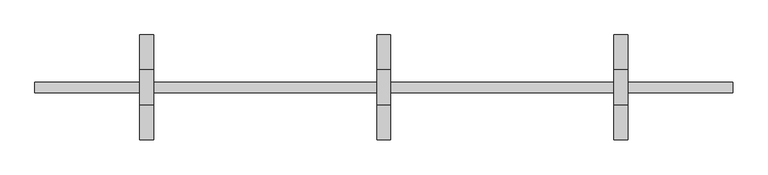
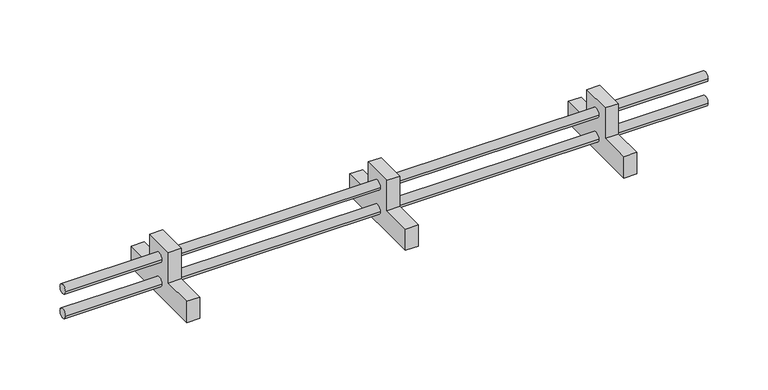
"""IFC4 building model written with IfcOpenShell, lengths in millimetres: proxy geometry."""

import ifcopenshell
import ifcopenshell.guid

model = None  # the IFC model being written
_history = None  # IfcOwnerHistory: only IFC2X3 demands one
_inside = {}  # id of a spatial element -> (the spatial element, [elements in it])
_under = {}  # id of a project, library or spatial element -> (it, [spatial elements below it])
_declared = {}  # id of a project -> (the project, [libraries it declares])
_typed = {}  # id of a type object -> (the type object, [elements of that type])
_made_of = {}  # id of a material, layer set ... -> (it, [elements and type objects made of it])


def new_model(schema):
    """Start an empty IFC model of exactly this schema.

    Asked for "IFC4X3", IfcOpenShell would pick the latest addendum, in which some entities
    have other attributes; the version numbers below select the first issue.
    IFC2X3 requires an IfcOwnerHistory on every rooted entity: one is made here for all.
    """
    global model, _history
    if schema == "IFC4X3":
        model = ifcopenshell.file(schema_version=(4, 3, 0, 0))
    else:
        model = ifcopenshell.file(schema=schema)
    _inside.clear()
    _under.clear()
    _declared.clear()
    _typed.clear()
    _made_of.clear()
    _history = None
    if model.schema == "IFC2X3":
        org = make("IfcOrganization", Name="unknown")
        user = make(
            "IfcPersonAndOrganization",
            ThePerson=make("IfcPerson", FamilyName="unknown"),
            TheOrganization=org,
        )
        app = make(
            "IfcApplication",
            ApplicationDeveloper=org,
            Version="unknown",
            ApplicationFullName="unknown",
            ApplicationIdentifier="unknown",
        )
        _history = make(
            "IfcOwnerHistory",
            OwningUser=user,
            OwningApplication=app,
            ChangeAction="ADDED",
            CreationDate=0,
        )
    return model


def make(cls, **values):
    """One entity of the class cls with the attributes given. An attribute that is None is left unset."""
    return model.create_entity(
        cls, **{name: value for name, value in values.items() if value is not None}
    )


def rooted(cls, **values):
    """An entity with a GlobalId (a new one), such as an element, a storey or a relation."""
    return make(cls, GlobalId=ifcopenshell.guid.new(), OwnerHistory=_history, **values)


def si_unit(unit_type, name, prefix=None):
    """IfcSIUnit, for example si_unit("LENGTHUNIT", "METRE", prefix="MILLI")."""
    return make("IfcSIUnit", UnitType=unit_type, Prefix=prefix, Name=name)


def assignment(units):
    """IfcUnitAssignment: the units of a project."""
    return None if units is None else make("IfcUnitAssignment", Units=units)


def point(xyz):
    """IfcCartesianPoint."""
    return None if xyz is None else make("IfcCartesianPoint", Coordinates=xyz)


def direction(xyz):
    """IfcDirection."""
    return None if xyz is None else make("IfcDirection", DirectionRatios=xyz)


def frame(location, z_axis=None, x_axis=None):
    """IfcAxis2Placement3D, a coordinate frame: its origin and axes. An axis left out is left unset."""
    return make(
        "IfcAxis2Placement3D",
        Location=point(location),
        Axis=direction(z_axis),
        RefDirection=direction(x_axis),
    )


def origin():
    """The frame at (0, 0, 0) with its axes left unset."""
    return frame((0.0, 0.0, 0.0))


def place(relative_to, where):
    """IfcLocalPlacement: puts the frame where relative to a parent placement (None: the world)."""
    return make(
        "IfcLocalPlacement", PlacementRelTo=relative_to, RelativePlacement=where
    )


def context(
    kind, dimensions, precision=None, world=None, true_north=None, identifier=None
):
    """IfcGeometricRepresentationContext, for example the 3D "Model" context."""
    return make(
        "IfcGeometricRepresentationContext",
        ContextIdentifier=identifier,
        ContextType=kind,
        CoordinateSpaceDimension=dimensions,
        Precision=precision,
        WorldCoordinateSystem=world,
        TrueNorth=true_north,
    )


def project(units=None, contexts=None):
    """IfcProject with its units and contexts."""
    return rooted(
        "IfcProject",
        Name="project",
        RepresentationContexts=contexts,
        UnitsInContext=assignment(units),
    )


def spatial(cls, under=None, at=None, **own):
    """A site, building, storey or space (cls), placed at a placement, below another one or the project."""
    s = rooted(cls, ObjectPlacement=at, **own)
    if under is not None:
        _under.setdefault(under.id(), (under, []))[1].append(s)
    return s


def circle_curve(where, radius):
    """IfcCircle in the frame where."""
    return make("IfcCircle", Position=where, Radius=radius)


def shape(context_of_items, identifier, shape_type, items):
    """IfcShapeRepresentation: the items that make up one representation, for example the "Body"."""
    return make(
        "IfcShapeRepresentation",
        ContextOfItems=context_of_items,
        RepresentationIdentifier=identifier,
        RepresentationType=shape_type,
        Items=items,
    )


def source(mapping_origin, context_of_items, identifier, shape_type, items):
    """IfcRepresentationMap: a shape defined once, which mapped items show again and again."""
    return make(
        "IfcRepresentationMap",
        MappingOrigin=mapping_origin,
        MappedRepresentation=shape(context_of_items, identifier, shape_type, items),
    )


def transform(
    local_origin,
    x_axis=None,
    y_axis=None,
    z_axis=None,
    scale=None,
    scale2=None,
    scale3=None,
    uniform=True,
):
    """IfcCartesianTransformationOperator3D, or its non-uniform kind. x_axis, y_axis, z_axis: its Axis1, 2, 3."""
    if uniform:
        return make(
            "IfcCartesianTransformationOperator3D",
            Axis1=direction(x_axis),
            Axis2=direction(y_axis),
            LocalOrigin=point(local_origin),
            Scale=scale,
            Axis3=direction(z_axis),
        )
    return make(
        "IfcCartesianTransformationOperator3DnonUniform",
        Axis1=direction(x_axis),
        Axis2=direction(y_axis),
        LocalOrigin=point(local_origin),
        Scale=scale,
        Axis3=direction(z_axis),
        Scale2=scale2,
        Scale3=scale3,
    )


def mapped(mapping_source, mapping_target):
    """IfcMappedItem: shows the shape of a source again, moved by a transform."""
    return make(
        "IfcMappedItem", MappingSource=mapping_source, MappingTarget=mapping_target
    )


def made_of(thing, what):
    """Note that an element or type object is made of a material, layer set ...; save() writes the relation."""
    if what is not None:
        _made_of.setdefault(what.id(), (what, []))[1].append(thing)
    return thing


def element(
    cls,
    number,
    at=None,
    inside=None,
    cuts=None,
    type_object=None,
    material=None,
    context=None,
    identifier="Body",
    shape_type=None,
    held_by="IfcProductDefinitionShape",
    body=None,
    shapes=None,
    **own,
):
    """One element of the class cls, such as IfcWall. Its Tag is "e" and its number.

    at: its placement. inside: the storey or other place that contains it. cuts: it is an
    opening in that element (IfcRelVoidsElement). A single representation is given by context,
    identifier, shape_type and body (its items); several are given by shapes. held_by: the class
    of the entity that holds the representations. save() writes the other relations.
    """
    e = rooted(cls, Tag="e%d" % number, ObjectPlacement=at, **own)
    if body is not None:
        shapes = [shape(context, identifier, shape_type, body)]
    if shapes is not None:
        e.Representation = make(held_by, Representations=shapes)
    if inside is not None:
        _inside.setdefault(inside.id(), (inside, []))[1].append(e)
    if cuts is not None:
        rooted(
            "IfcRelVoidsElement", RelatingBuildingElement=cuts, RelatedOpeningElement=e
        )
    if type_object is not None:
        _typed.setdefault(type_object.id(), (type_object, []))[1].append(e)
    return made_of(e, material)


def aggregate(whole, parts):
    """IfcRelAggregates: a whole, such as a stair, and the parts it consists of."""
    return rooted("IfcRelAggregates", RelatingObject=whole, RelatedObjects=parts)


def save(model, path):
    """Write the relations noted so far, then the file.

    IfcRelAggregates (storeys below a building ...), IfcRelContainedInSpatialStructure (elements
    in a storey), IfcRelDefinesByType, IfcRelAssociatesMaterial and IfcRelDeclares: one each for
    every whole, place, type object, material and project.
    """
    for whole, parts in _under.values():
        aggregate(whole, parts)
    for where, things in _inside.values():
        rooted(
            "IfcRelContainedInSpatialStructure",
            RelatedElements=things,
            RelatingStructure=where,
        )
    for kind, things in _typed.values():
        rooted("IfcRelDefinesByType", RelatedObjects=things, RelatingType=kind)
    for what, things in _made_of.values():
        rooted("IfcRelAssociatesMaterial", RelatedObjects=things, RelatingMaterial=what)
    for by, libraries in _declared.values():
        rooted("IfcRelDeclares", RelatingContext=by, RelatedDefinitions=libraries)
    model.write(path)


def plane_surface(at):
    """IfcPlane: the flat surface through the origin of the frame at, square to its z axis."""
    return make("IfcPlane", Position=at)


def cylinder_surface(at, radius):
    """IfcCylindricalSurface: all points at the distance radius from the z axis of the frame at."""
    return make("IfcCylindricalSurface", Position=at, Radius=radius)


def advanced_brep(points, edges, surfaces, faces):
    """IfcAdvancedBrep: a solid bounded by faces that lie on surfaces and meet in shared edges.

    An edge is (start, end): straight between two places in points (the first is 0);
    or (start, end, curve); or (start, end, curve, False) where it runs against its curve.
    A face is (place in surfaces, loops), or (place, loops, False) where it looks against
    its surface's normal. A loop lists edges by number (the first is 1), with a minus sign
    where the edge is run from its end to its start. The first loop is the outer one.
    """
    corners = [point(p) for p in points]
    vertices = [make("IfcVertexPoint", VertexGeometry=c) for c in corners]
    made = []
    for start, end, *more in edges:
        made.append(
            make(
                "IfcEdgeCurve",
                EdgeStart=vertices[start],
                EdgeEnd=vertices[end],
                EdgeGeometry=more[0] if more else make("IfcPolyline", Points=[corners[start], corners[end]]),
                SameSense=more[1] if len(more) > 1 else True,
            )
        )
    hull = []
    for where, loops, *sense in faces:
        bounds = []
        for j, loop in enumerate(loops):
            ring = [make("IfcOrientedEdge", EdgeElement=made[abs(k) - 1], Orientation=k > 0) for k in loop]
            bounds.append(
                make(
                    "IfcFaceOuterBound" if j == 0 else "IfcFaceBound",
                    Bound=make("IfcEdgeLoop", EdgeList=ring),
                    Orientation=True,
                )
            )
        hull.append(make("IfcAdvancedFace", Bounds=bounds, FaceSurface=surfaces[where], SameSense=sense[0] if sense else True))
    return make("IfcAdvancedBrep", Outer=make("IfcClosedShell", CfsFaces=hull))


def generic_models_423ec50e(model_context):
    return source(origin(), model_context, "Body", "AdvancedBrep", [
        advanced_brep(
        [(-1010.0, -150.0, 4123.0), (-1010.0, -150.0, 4193.0), (-1010.0, -50.0, 4193.0), (-1010.0, -50.0, 4293.0), (-1010.0, 50.0, 4293.0), (-1010.0, 50.0, 4193.0), (-1010.0, 150.0, 4193.0), (-1010.0, 150.0, 4123.0), (-1010.0, -15.0, 4248.0), (-1010.0, 15.0, 4248.0), (-1010.0, -15.0, 4168.0), (-1010.0, 15.0, 4168.0), (-970.0, -150.0, 4123.0), (-970.0, 150.0, 4123.0), (-970.0, 150.0, 4193.0), (-970.0, 50.0, 4193.0), (-970.0, 50.0, 4293.0), (-970.0, -50.0, 4293.0), (-970.0, -50.0, 4193.0), (-970.0, -150.0, 4193.0), (-970.0, 15.0, 4248.0), (-970.0, -15.0, 4248.0), (-970.0, 15.0, 4168.0), (-970.0, -15.0, 4168.0), (690.0, -15.0, 4248.0), (690.0, 15.0, 4248.0), (690.0, -15.0, 4168.0), (690.0, 15.0, 4168.0), (-1310.0, -15.0, 4248.0), (-1310.0, 15.0, 4248.0), (-1310.0, -15.0, 4168.0), (-1310.0, 15.0, 4168.0), (-330.0, 15.0, 4248.0), (-330.0, -15.0, 4248.0), (390.0, -15.0, 4248.0), (390.0, 15.0, 4248.0), (-290.0, -15.0, 4248.0), (-290.0, 15.0, 4248.0), (350.0, 15.0, 4248.0), (350.0, -15.0, 4248.0), (-330.0, 15.0, 4168.0), (-330.0, -15.0, 4168.0), (390.0, -15.0, 4168.0), (390.0, 15.0, 4168.0), (-290.0, -15.0, 4168.0), (-290.0, 15.0, 4168.0), (350.0, 15.0, 4168.0), (350.0, -15.0, 4168.0), (-290.0, -150.0, 4123.0), (-290.0, 150.0, 4123.0), (-290.0, 150.0, 4193.0), (-290.0, 50.0, 4193.0), (-290.0, 50.0, 4293.0), (-290.0, -50.0, 4293.0), (-290.0, -50.0, 4193.0), (-290.0, -150.0, 4193.0), (-330.0, -150.0, 4123.0), (-330.0, -150.0, 4193.0), (-330.0, -50.0, 4193.0), (-330.0, -50.0, 4293.0), (-330.0, 50.0, 4293.0), (-330.0, 50.0, 4193.0), (-330.0, 150.0, 4193.0), (-330.0, 150.0, 4123.0), (390.0, -150.0, 4123.0), (390.0, 150.0, 4123.0), (390.0, 150.0, 4193.0), (390.0, 50.0, 4193.0), (390.0, 50.0, 4293.0), (390.0, -50.0, 4293.0), (390.0, -50.0, 4193.0), (390.0, -150.0, 4193.0), (350.0, -150.0, 4123.0), (350.0, -150.0, 4193.0), (350.0, -50.0, 4193.0), (350.0, -50.0, 4293.0), (350.0, 50.0, 4293.0), (350.0, 50.0, 4193.0), (350.0, 150.0, 4193.0), (350.0, 150.0, 4123.0)],
        [
            (0, 1),
            (1, 2),
            (2, 3),
            (3, 4),
            (4, 5),
            (5, 6),
            (6, 7),
            (7, 0),
            (8, 9, circle_curve(frame((-1010.0, 0.0, 4248.0), z_axis=(1.0, 0.0, 0.0), x_axis=(0.0, 1.0, 0.0)), 15.0)),
            (9, 8, circle_curve(frame((-1010.0, 0.0, 4248.0), z_axis=(1.0, 0.0, 0.0), x_axis=(0.0, 1.0, 0.0)), 15.0)),
            (10, 11, circle_curve(frame((-1010.0, 0.0, 4168.0), z_axis=(1.0, 0.0, 0.0), x_axis=(0.0, 1.0, 0.0)), 15.0)),
            (11, 10, circle_curve(frame((-1010.0, 0.0, 4168.0), z_axis=(1.0, 0.0, 0.0), x_axis=(0.0, 1.0, 0.0)), 15.0)),
            (12, 13),
            (13, 14),
            (14, 15),
            (15, 16),
            (16, 17),
            (17, 18),
            (18, 19),
            (19, 12),
            (20, 21, circle_curve(frame((-970.0, 0.0, 4248.0), z_axis=(-1.0, 0.0, 0.0), x_axis=(0.0, 1.0, 0.0)), 15.0)),
            (21, 20, circle_curve(frame((-970.0, 0.0, 4248.0), z_axis=(-1.0, 0.0, 0.0), x_axis=(0.0, 1.0, 0.0)), 15.0)),
            (22, 23, circle_curve(frame((-970.0, 0.0, 4168.0), z_axis=(-1.0, 0.0, 0.0), x_axis=(0.0, 1.0, 0.0)), 15.0)),
            (23, 22, circle_curve(frame((-970.0, 0.0, 4168.0), z_axis=(-1.0, 0.0, 0.0), x_axis=(0.0, 1.0, 0.0)), 15.0)),
            (0, 12),
            (19, 1),
            (18, 2),
            (17, 3),
            (16, 4),
            (15, 5),
            (14, 6),
            (13, 7),
            (24, 25, circle_curve(frame((690.0, 0.0, 4248.0), z_axis=(1.0, 0.0, 0.0), x_axis=(0.0, 1.0, 0.0)), 15.0)),
            (25, 24, circle_curve(frame((690.0, 0.0, 4248.0), z_axis=(1.0, 0.0, 0.0), x_axis=(0.0, 1.0, 0.0)), 15.0)),
            (26, 27, circle_curve(frame((690.0, 0.0, 4168.0), z_axis=(1.0, 0.0, 0.0), x_axis=(0.0, 1.0, 0.0)), 15.0)),
            (27, 26, circle_curve(frame((690.0, 0.0, 4168.0), z_axis=(1.0, 0.0, 0.0), x_axis=(0.0, 1.0, 0.0)), 15.0)),
            (28, 29, circle_curve(frame((-1310.0, 0.0, 4248.0), z_axis=(-1.0, 0.0, 0.0), x_axis=(0.0, 1.0, 0.0)), 15.0)),
            (29, 28, circle_curve(frame((-1310.0, 0.0, 4248.0), z_axis=(-1.0, 0.0, 0.0), x_axis=(0.0, 1.0, 0.0)), 15.0)),
            (30, 31, circle_curve(frame((-1310.0, 0.0, 4168.0), z_axis=(-1.0, 0.0, 0.0), x_axis=(0.0, 1.0, 0.0)), 15.0)),
            (31, 30, circle_curve(frame((-1310.0, 0.0, 4168.0), z_axis=(-1.0, 0.0, 0.0), x_axis=(0.0, 1.0, 0.0)), 15.0)),
            (20, 32),
            (32, 33, circle_curve(frame((-330.0, 0.0, 4248.0), z_axis=(-1.0, 0.0, 0.0), x_axis=(0.0, 1.0, 0.0)), 15.0)),
            (33, 21),
            (24, 34),
            (34, 35, circle_curve(frame((390.0, 0.0, 4248.0), z_axis=(1.0, 0.0, 0.0), x_axis=(0.0, 1.0, 0.0)), 15.0)),
            (35, 25),
            (29, 9),
            (8, 28),
            (36, 37, circle_curve(frame((-290.0, 0.0, 4248.0), z_axis=(1.0, 0.0, 0.0), x_axis=(0.0, 1.0, 0.0)), 15.0)),
            (37, 38),
            (38, 39, circle_curve(frame((350.0, 0.0, 4248.0), z_axis=(-1.0, 0.0, 0.0), x_axis=(0.0, 1.0, 0.0)), 15.0)),
            (39, 36),
            (33, 32, circle_curve(frame((-330.0, 0.0, 4248.0), z_axis=(-1.0, 0.0, 0.0), x_axis=(0.0, 1.0, 0.0)), 15.0)),
            (35, 34, circle_curve(frame((390.0, 0.0, 4248.0), z_axis=(1.0, 0.0, 0.0), x_axis=(0.0, 1.0, 0.0)), 15.0)),
            (37, 36, circle_curve(frame((-290.0, 0.0, 4248.0), z_axis=(1.0, 0.0, 0.0), x_axis=(0.0, 1.0, 0.0)), 15.0)),
            (39, 38, circle_curve(frame((350.0, 0.0, 4248.0), z_axis=(-1.0, 0.0, 0.0), x_axis=(0.0, 1.0, 0.0)), 15.0)),
            (22, 40),
            (40, 41, circle_curve(frame((-330.0, 0.0, 4168.0), z_axis=(-1.0, 0.0, 0.0), x_axis=(0.0, 1.0, 0.0)), 15.0)),
            (41, 23),
            (26, 42),
            (42, 43, circle_curve(frame((390.0, 0.0, 4168.0), z_axis=(1.0, 0.0, 0.0), x_axis=(0.0, 1.0, 0.0)), 15.0)),
            (43, 27),
            (31, 11),
            (10, 30),
            (44, 45, circle_curve(frame((-290.0, 0.0, 4168.0), z_axis=(1.0, 0.0, 0.0), x_axis=(0.0, 1.0, 0.0)), 15.0)),
            (45, 46),
            (46, 47, circle_curve(frame((350.0, 0.0, 4168.0), z_axis=(-1.0, 0.0, 0.0), x_axis=(0.0, 1.0, 0.0)), 15.0)),
            (47, 44),
            (41, 40, circle_curve(frame((-330.0, 0.0, 4168.0), z_axis=(-1.0, 0.0, 0.0), x_axis=(0.0, 1.0, 0.0)), 15.0)),
            (43, 42, circle_curve(frame((390.0, 0.0, 4168.0), z_axis=(1.0, 0.0, 0.0), x_axis=(0.0, 1.0, 0.0)), 15.0)),
            (45, 44, circle_curve(frame((-290.0, 0.0, 4168.0), z_axis=(1.0, 0.0, 0.0), x_axis=(0.0, 1.0, 0.0)), 15.0)),
            (47, 46, circle_curve(frame((350.0, 0.0, 4168.0), z_axis=(-1.0, 0.0, 0.0), x_axis=(0.0, 1.0, 0.0)), 15.0)),
            (48, 49),
            (49, 50),
            (50, 51),
            (51, 52),
            (52, 53),
            (53, 54),
            (54, 55),
            (55, 48),
            (56, 57),
            (57, 58),
            (58, 59),
            (59, 60),
            (60, 61),
            (61, 62),
            (62, 63),
            (63, 56),
            (48, 56),
            (63, 49),
            (62, 50),
            (61, 51),
            (60, 52),
            (59, 53),
            (58, 54),
            (57, 55),
            (64, 65),
            (65, 66),
            (66, 67),
            (67, 68),
            (68, 69),
            (69, 70),
            (70, 71),
            (71, 64),
            (72, 73),
            (73, 74),
            (74, 75),
            (75, 76),
            (76, 77),
            (77, 78),
            (78, 79),
            (79, 72),
            (64, 72),
            (79, 65),
            (78, 66),
            (77, 67),
            (76, 68),
            (75, 69),
            (74, 70),
            (73, 71),
        ],
        [
            plane_surface(frame((-1010.0, -150.0, 4123.0), z_axis=(-1.0, 0.0, 0.0), x_axis=(0.0, 0.0, 1.0))),
            plane_surface(frame((-970.0, -150.0, 4123.0), z_axis=(1.0, 0.0, 0.0), x_axis=(0.0, 0.0, -1.0))),
            plane_surface(frame((-1010.0, -150.0, 4123.0), z_axis=(0.0, -1.0, 0.0), x_axis=(1.0, 0.0, 0.0))),
            plane_surface(frame((-1010.0, -150.0, 4193.0), z_axis=(0.0, 0.0, 1.0), x_axis=(1.0, 0.0, 0.0))),
            plane_surface(frame((-1010.0, -50.0, 4193.0), z_axis=(0.0, -1.0, 0.0), x_axis=(1.0, 0.0, 0.0))),
            plane_surface(frame((-1010.0, -50.0, 4293.0), z_axis=(0.0, 0.0, 1.0), x_axis=(1.0, 0.0, 0.0))),
            plane_surface(frame((-1010.0, 50.0, 4293.0), z_axis=(0.0, 1.0, 0.0), x_axis=(1.0, 0.0, 0.0))),
            plane_surface(frame((-1010.0, 50.0, 4193.0), z_axis=(0.0, 0.0, 1.0), x_axis=(1.0, 0.0, 0.0))),
            plane_surface(frame((-1010.0, 150.0, 4193.0), z_axis=(0.0, 1.0, 0.0), x_axis=(1.0, 0.0, 0.0))),
            plane_surface(frame((-1010.0, 150.0, 4123.0), z_axis=(0.0, 0.0, -1.0), x_axis=(1.0, 0.0, 0.0))),
            plane_surface(frame((690.0, 15.0, 4248.0), z_axis=(1.0, 0.0, 0.0), x_axis=(0.0, 0.0, 1.0))),
            plane_surface(frame((-1310.0, 15.0, 4248.0), z_axis=(-1.0, 0.0, 0.0), x_axis=(0.0, 0.0, -1.0))),
            cylinder_surface(frame((-1310.0, 0.0, 4248.0), z_axis=(1.0, 0.0, 0.0), x_axis=(0.0, 1.0, 0.0)), 15.0),
            cylinder_surface(frame((-1560.0, 0.0, 4168.0), z_axis=(1.0, 0.0, 0.0), x_axis=(0.0, 1.0, 0.0)), 15.0),
            plane_surface(frame((-290.0, 150.0, 4123.0), z_axis=(1.0, 0.0, 0.0), x_axis=(0.0, 1.0, 0.0))),
            plane_surface(frame((-330.0, 150.0, 4123.0), z_axis=(-1.0, 0.0, 0.0), x_axis=(0.0, -1.0, 0.0))),
            plane_surface(frame((-290.0, -150.0, 4123.0), z_axis=(0.0, 0.0, -1.0), x_axis=(-1.0, 0.0, 0.0))),
            plane_surface(frame((-290.0, 150.0, 4123.0), z_axis=(0.0, 1.0, 0.0), x_axis=(-1.0, 0.0, 0.0))),
            plane_surface(frame((-290.0, 150.0, 4193.0), z_axis=(0.0, 0.0, 1.0), x_axis=(-1.0, 0.0, 0.0))),
            plane_surface(frame((-290.0, 50.0, 4193.0), z_axis=(0.0, 1.0, 0.0), x_axis=(-1.0, 0.0, 0.0))),
            plane_surface(frame((-290.0, 50.0, 4293.0), z_axis=(0.0, 0.0, 1.0), x_axis=(-1.0, 0.0, 0.0))),
            plane_surface(frame((-290.0, -50.0, 4293.0), z_axis=(0.0, -1.0, 0.0), x_axis=(-1.0, 0.0, 0.0))),
            plane_surface(frame((-290.0, -50.0, 4193.0), z_axis=(0.0, 0.0, 1.0), x_axis=(-1.0, 0.0, 0.0))),
            plane_surface(frame((-290.0, -150.0, 4193.0), z_axis=(0.0, -1.0, 0.0), x_axis=(-1.0, 0.0, 0.0))),
            plane_surface(frame((390.0, 150.0, 4123.0), z_axis=(1.0, 0.0, 0.0), x_axis=(0.0, 1.0, 0.0))),
            plane_surface(frame((350.0, 150.0, 4123.0), z_axis=(-1.0, 0.0, 0.0), x_axis=(0.0, -1.0, 0.0))),
            plane_surface(frame((390.0, -150.0, 4123.0), z_axis=(0.0, 0.0, -1.0), x_axis=(-1.0, 0.0, 0.0))),
            plane_surface(frame((390.0, 150.0, 4123.0), z_axis=(0.0, 1.0, 0.0), x_axis=(-1.0, 0.0, 0.0))),
            plane_surface(frame((390.0, 150.0, 4193.0), z_axis=(0.0, 0.0, 1.0), x_axis=(-1.0, 0.0, 0.0))),
            plane_surface(frame((390.0, 50.0, 4193.0), z_axis=(0.0, 1.0, 0.0), x_axis=(-1.0, 0.0, 0.0))),
            plane_surface(frame((390.0, 50.0, 4293.0), z_axis=(0.0, 0.0, 1.0), x_axis=(-1.0, 0.0, 0.0))),
            plane_surface(frame((390.0, -50.0, 4293.0), z_axis=(0.0, -1.0, 0.0), x_axis=(-1.0, 0.0, 0.0))),
            plane_surface(frame((390.0, -50.0, 4193.0), z_axis=(0.0, 0.0, 1.0), x_axis=(-1.0, 0.0, 0.0))),
            plane_surface(frame((390.0, -150.0, 4193.0), z_axis=(0.0, -1.0, 0.0), x_axis=(-1.0, 0.0, 0.0))),
        ],
        [
            (0, [[1, 2, 3, 4, 5, 6, 7, 8], [9, 10], [11, 12]]),
            (1, [[13, 14, 15, 16, 17, 18, 19, 20], [21, 22], [23, 24]]),
            (2, [[-1, 25, -20, 26]]),
            (3, [[-2, -26, -19, 27]]),
            (4, [[-3, -27, -18, 28]]),
            (5, [[-4, -28, -17, 29]]),
            (6, [[-5, -29, -16, 30]]),
            (7, [[-6, -30, -15, 31]]),
            (8, [[-7, -31, -14, 32]]),
            (9, [[-8, -32, -13, -25]]),
            (10, [[33, 34]]),
            (10, [[35, 36]]),
            (11, [[37, 38]]),
            (11, [[39, 40]]),
            (12, [[-21, 41, 42, 43]]),
            (12, [[-33, 44, 45, 46]]),
            (12, [[-38, 47, -9, 48]]),
            (12, [[49, 50, 51, 52]]),
            (12, [[-22, -43, 53, -41]]),
            (12, [[-34, -46, 54, -44]]),
            (12, [[-37, -48, -10, -47]]),
            (12, [[55, -52, 56, -50]]),
            (13, [[-23, 57, 58, 59]]),
            (13, [[-35, 60, 61, 62]]),
            (13, [[-40, 63, -11, 64]]),
            (13, [[65, 66, 67, 68]]),
            (13, [[-24, -59, 69, -57]]),
            (13, [[-36, -62, 70, -60]]),
            (13, [[-39, -64, -12, -63]]),
            (13, [[71, -68, 72, -66]]),
            (14, [[73, 74, 75, 76, 77, 78, 79, 80], [-49, -55], [-65, -71]]),
            (15, [[81, 82, 83, 84, 85, 86, 87, 88], [-42, -53], [-58, -69]]),
            (16, [[-73, 89, -88, 90]]),
            (17, [[-74, -90, -87, 91]]),
            (18, [[-75, -91, -86, 92]]),
            (19, [[-76, -92, -85, 93]]),
            (20, [[-77, -93, -84, 94]]),
            (21, [[-78, -94, -83, 95]]),
            (22, [[-79, -95, -82, 96]]),
            (23, [[-80, -96, -81, -89]]),
            (24, [[97, 98, 99, 100, 101, 102, 103, 104], [-45, -54], [-61, -70]]),
            (25, [[105, 106, 107, 108, 109, 110, 111, 112], [-51, -56], [-67, -72]]),
            (26, [[-97, 113, -112, 114]]),
            (27, [[-98, -114, -111, 115]]),
            (28, [[-99, -115, -110, 116]]),
            (29, [[-100, -116, -109, 117]]),
            (30, [[-101, -117, -108, 118]]),
            (31, [[-102, -118, -107, 119]]),
            (32, [[-103, -119, -106, 120]]),
            (33, [[-104, -120, -105, -113]]),
        ],
    ),
    ])


if __name__ == "__main__":
    model = new_model("IFC4")
    model_context = context("Model", 3, world=origin())
    ifc_project = project(units=[si_unit("LENGTHUNIT", "METRE", prefix="MILLI")], contexts=[model_context])
    site = spatial("IfcSite", under=ifc_project)
    building = spatial("IfcBuilding", under=site)
    placement = place(None, origin())
    generic_models_shape = generic_models_423ec50e(model_context)
    element("IfcBuildingElementProxy", 1, Name="Generic Models", at=placement, inside=building, context=model_context, shape_type="MappedRepresentation", body=[
        mapped(generic_models_shape, transform((0.0, 0.0, 0.0), x_axis=(1.0, 0.0, 0.0), y_axis=(0.0, 1.0, 0.0), z_axis=(0.0, 0.0, 1.0))),
    ])
    save(model, "model.ifc")
